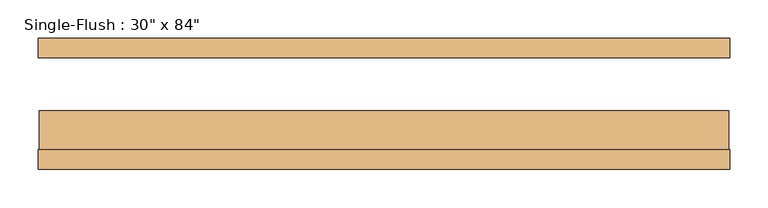
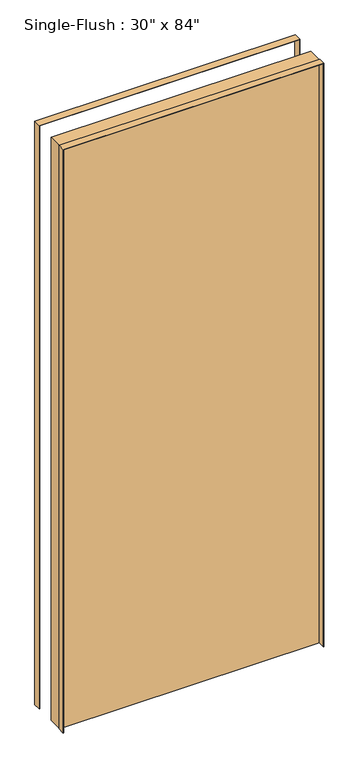
"""IFC4 building model written with IfcOpenShell, lengths in millimetres: door geometry."""

from ifc_helpers import new_model, si_unit, frame, origin, origin_with_axes, place, context, project, spatial, polyline, outline, extrude, source, transform, mapped, element, save


def door_812f9619(model_context):
    return source(origin(), model_context, "Body", "SweptSolid", [
        extrude(outline(polyline([(2135.1875, -451.5875), (0.0, -451.5875), (0.0, -450.0), (2133.6, -450.0), (2133.6, 450.0), (0.0, 450.0), (0.0, 451.5875), (2135.1875, 451.5875), (2135.1875, -451.5875)])), frame((0.0, -85.4, 0.0), z_axis=(0.0, 1.0, 0.0), x_axis=(0.0, 0.0, 1.0)), (0.0, 0.0, 1.0), 25.4),
        extrude(outline(polyline([(2135.1875, 451.5875), (2135.1875, -451.5875), (0.0, -451.5875), (0.0, -450.0), (2133.6, -450.0), (2133.6, 450.0), (0.0, 450.0), (0.0, 451.5875), (2135.1875, 451.5875)])), frame((0.0, 60.0, 0.0), z_axis=(0.0, 1.0, 0.0), x_axis=(0.0, 0.0, 1.0)), (0.0, 0.0, 1.0), 25.4),
        extrude(outline(polyline([(450.0, -9.2), (450.0, -60.0), (-450.0, -60.0), (-450.0, -9.2), (450.0, -9.2)])), origin_with_axes(), (0.0, 0.0, 1.0), 2133.6),
    ])


if __name__ == "__main__":
    model = new_model("IFC4")
    model_context = context("Model", 3, world=origin())
    ifc_project = project(units=[si_unit("LENGTHUNIT", "METRE", prefix="MILLI")], contexts=[model_context])
    site = spatial("IfcSite", under=ifc_project)
    building = spatial("IfcBuilding", under=site)
    placement = place(None, origin())
    door_shape = door_812f9619(model_context)
    element("IfcDoor", 1, ObjectType="Single-Flush : 30\" x 84\"", at=placement, inside=building, context=model_context, shape_type="MappedRepresentation", body=[
        mapped(door_shape, transform((0.0, 0.0, 0.0), x_axis=(1.0, 0.0, 0.0), y_axis=(0.0, 1.0, 0.0), z_axis=(0.0, 0.0, 1.0))),
    ])
    save(model, "model.ifc")
